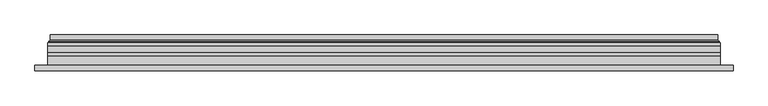
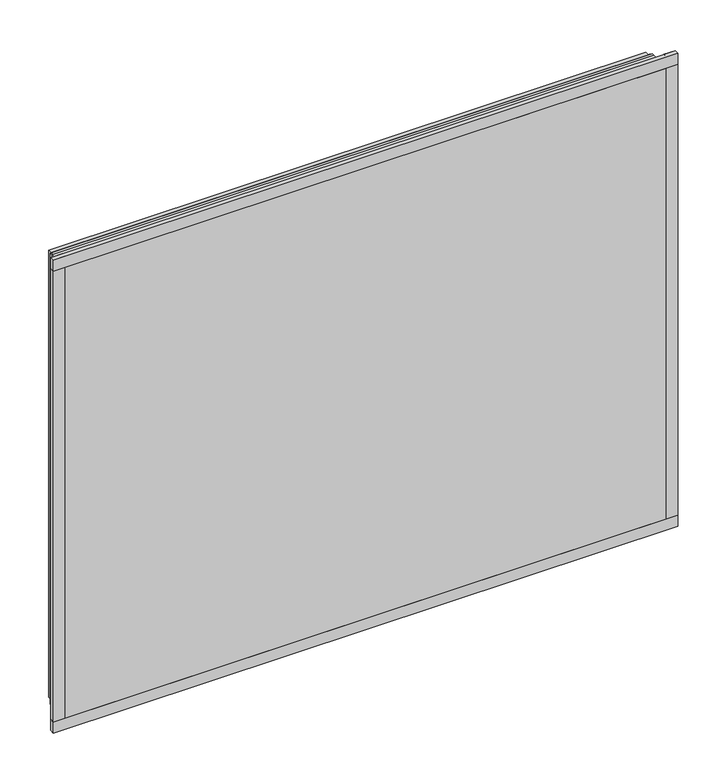
"""IFC4 building model written with IfcOpenShell, lengths in millimetres: plate geometry."""

from ifc_helpers import new_model, si_unit, frame, origin, place, context, project, spatial, polyline, ellipse_curve, outline, extrude, source, transform, mapped, element, save
from ifc_brep_helpers import plane_surface, cylinder_surface, revolved_surface, advanced_brep


def plate_3f4ecd0a(model_context):
    return source(origin(), model_context, "Body", "SolidModel", [
        extrude(outline(polyline([(33.5, -579.0), (33.5, 579.0), (941.5, 579.0), (941.5, -579.0), (33.5, -579.0)]), holes=[polyline([(38.5, 574.0), (38.5, -574.0), (936.5, -574.0), (936.5, 574.0), (38.5, 574.0)])]), frame((0.0, 0.0, 0.0), z_axis=(0.0, 1.0, 0.0), x_axis=(0.0, 0.0, 1.0)), (0.0, 0.0, 1.0), 12.0),
        extrude(outline(polyline([(11.5, -601.0), (11.5, 601.0), (963.5, 601.0), (963.5, -601.0), (11.5, -601.0)]), holes=[polyline([(33.5, 579.0), (33.5, -579.0), (941.5, -579.0), (941.5, 579.0), (33.5, 579.0)])]), frame((0.0, -26.0, 0.0), z_axis=(0.0, 1.0, 0.0), x_axis=(0.0, 0.0, 1.0)), (0.0, 0.0, 1.0), 20.0),
        extrude(outline(polyline([(11.5, -601.0), (11.5, 601.0), (963.5, 601.0), (963.5, -601.0), (11.5, -601.0)]), holes=[polyline([(33.5, 579.0), (33.5, -579.0), (941.5, -579.0), (941.5, 579.0), (33.5, 579.0)])]), frame((0.0, -26.0, 0.0), z_axis=(0.0, 1.0, 0.0), x_axis=(0.0, 0.0, 1.0)), (0.0, 0.0, 1.0), 20.0),
        extrude(outline(polyline([(601.0, -6.0), (-601.0, -6.0), (-601.0, 0.0), (601.0, 0.0), (601.0, -6.0)])), frame((0.0, 0.0, 11.5), z_axis=(0.0, 0.0, 1.0), x_axis=(1.0, 0.0, 0.0)), (0.0, 0.0, 1.0), 952.0),
        extrude(outline(polyline([(624.0, -32.0), (-624.0, -32.0), (-624.0, -22.51), (624.0, -22.51), (624.0, -32.0)])), frame((0.0, 0.0, -11.5), z_axis=(0.0, 0.0, 1.0), x_axis=(1.0, 0.0, 0.0)), (0.0, 0.0, 1.0), 23.0),
        extrude(outline(polyline([(624.0, -32.0), (-624.0, -32.0), (-624.0, -22.51), (624.0, -22.51), (624.0, -32.0)])), frame((0.0, 0.0, 963.5), z_axis=(0.0, 0.0, 1.0), x_axis=(1.0, 0.0, 0.0)), (0.0, 0.0, 1.0), 23.0),
        extrude(outline(polyline([(-624.0, -32.0), (-624.0, -22.51), (-601.0, -22.51), (-601.0, -32.0), (-624.0, -32.0)])), frame((0.0, 0.0, -11.5), z_axis=(0.0, 0.0, 1.0), x_axis=(1.0, 0.0, 0.0)), (0.0, 0.0, 1.0), 998.0),
        extrude(outline(polyline([(624.0, -32.0), (601.0, -32.0), (601.0, -22.51), (624.0, -22.51), (624.0, -32.0)])), frame((0.0, 0.0, -11.5), z_axis=(0.0, 0.0, 1.0), x_axis=(1.0, 0.0, 0.0)), (0.0, 0.0, 1.0), 998.0),
        extrude(outline(polyline([(11.5, -601.0), (11.5, 601.0), (963.5, 601.0), (963.5, -601.0), (11.5, -601.0)]), holes=[polyline([(33.5, 579.0), (33.5, -579.0), (941.5, -579.0), (941.5, 579.0), (33.5, 579.0)])]), frame((0.0, 0.0, 0.0), z_axis=(0.0, 1.0, 0.0), x_axis=(0.0, 0.0, 1.0)), (0.0, 0.0, 1.0), 12.0),
        extrude(outline(polyline([(33.5, -579.0), (33.5, 579.0), (941.5, 579.0), (941.5, -579.0), (33.5, -579.0)]), holes=[polyline([(38.5, 574.0), (38.5, -574.0), (936.5, -574.0), (936.5, 574.0), (38.5, 574.0)])]), frame((0.0, -26.0, 0.0), z_axis=(0.0, 1.0, 0.0), x_axis=(0.0, 0.0, 1.0)), (0.0, 0.0, 1.0), 20.0),
        extrude(outline(polyline([(601.0, 18.0), (601.0, 12.0), (-601.0, 12.0), (-601.0, 18.0), (601.0, 18.0)])), frame((0.0, 0.0, 11.5), z_axis=(0.0, 0.0, 1.0), x_axis=(1.0, 0.0, 0.0)), (0.0, 0.0, 1.0), 952.0),
        extrude(outline(polyline([(-601.0, -32.0), (-601.0, -26.0), (601.0, -26.0), (601.0, -32.0), (-601.0, -32.0)])), frame((0.0, 0.0, 11.5), z_axis=(0.0, 0.0, 1.0), x_axis=(1.0, 0.0, 0.0)), (0.0, 0.0, 1.0), 952.0),
        advanced_brep(
        [(587.5000103, 32.0, 24.9999897), (-587.5000103, 32.0, 24.9999897), (-587.5000103, 21.9110895, 24.9999897), (587.5000103, 21.9110895, 24.9999897), (596.4986526, 23.3044663, 16.0013474), (-596.4986526, 23.3044663, 16.0013474), (-596.4986526, 32.0, 16.0013474), (596.4986526, 32.0, 16.0013474), (598.1689727, 20.9442833, 14.3310273), (-598.1689727, 20.9442833, 14.3310273), (597.7544044, 18.0034569, 14.7455956), (-597.7544044, 18.0034569, 14.7455956), (586.5620948, 20.2163959, 25.9379052), (-586.5620948, 20.2163959, 25.9379052), (-587.1992268, 18.0000006, 25.3007732), (587.1992268, 18.0000006, 25.3007732), (-587.5000103, 32.0, 950.0000103), (-587.5000103, 21.9110895, 950.0000103), (-596.4986526, 23.3044663, 958.9986526), (-596.4986526, 32.0, 958.9986526), (-598.1689727, 20.9442833, 960.6689727), (-597.7544044, 18.0034569, 960.2544044), (-586.5620948, 20.2163959, 949.0620948), (-587.1992268, 18.0000006, 949.6992268), (587.5000103, 32.0, 950.0000103), (587.5000103, 21.9110895, 950.0000103), (596.4986526, 23.3044663, 958.9986526), (596.4986526, 32.0, 958.9986526), (598.1689727, 20.9442833, 960.6689727), (597.7544044, 18.0034569, 960.2544044), (586.5620948, 20.2163959, 949.0620948), (587.1992268, 18.0000006, 949.6992268)],
        [
            (0, 1),
            (1, 2),
            (2, 3),
            (3, 0),
            (4, 5),
            (5, 6),
            (6, 7),
            (7, 4),
            (8, 9),
            (9, 5, ellipse_curve(frame((-598.8086832, 23.1681522, 13.6913168), z_axis=(-0.7071067811865475, 0.0, 0.7071067811865475), x_axis=(-0.7071067811865476, 0.0, -0.7071067811865474)), 3.2725594, 2.314049)),
            (4, 8, ellipse_curve(frame((598.8086832, 23.1681522, 13.6913168), z_axis=(0.7071067811865475, 0.0, 0.7071067811865475), x_axis=(-0.7071067811865476, 0.0, 0.7071067811865474)), 3.2725594, 2.314049)),
            (10, 11),
            (11, 9, ellipse_curve(frame((-597.7544044, 19.5030909, 14.7455956), z_axis=(0.7071067811865475, 0.0, -0.7071067811865475), x_axis=(0.7071067811865476, 0.0, 0.7071067811865474)), 2.1208028, 1.4996341)),
            (8, 10, ellipse_curve(frame((597.7544044, 19.5030909, 14.7455956), z_axis=(-0.7071067811865475, 0.0, -0.7071067811865475), x_axis=(0.7071067811865476, 0.0, -0.7071067811865474)), 2.1208028, 1.4996341)),
            (12, 13),
            (13, 14, ellipse_curve(frame((-587.1992268, 19.1997743, 25.3007732), z_axis=(0.7071067811865475, 0.0, -0.7071067811865475), x_axis=(0.7071067811865476, 0.0, 0.7071067811865474)), 1.6967361, 1.1997736)),
            (14, 15),
            (15, 12, ellipse_curve(frame((587.1992268, 19.1997743, 25.3007732), z_axis=(-0.7071067811865475, 0.0, -0.7071067811865475), x_axis=(0.7071067811865476, 0.0, -0.7071067811865474)), 1.6967361, 1.1997736)),
            (2, 13, ellipse_curve(frame((-585.5000051, 21.9110895, 26.9999949), z_axis=(-0.7071067811865475, 0.0, 0.7071067811865475), x_axis=(-0.7071067811865476, 0.0, -0.7071067811865474)), 2.8284345, 2.0000052)),
            (12, 3, ellipse_curve(frame((585.5000051, 21.9110895, 26.9999949), z_axis=(0.7071067811865475, 0.0, 0.7071067811865475), x_axis=(-0.7071067811865476, 0.0, 0.7071067811865474)), 2.8284345, 2.0000052)),
            (1, 16),
            (16, 17),
            (17, 2),
            (5, 18),
            (18, 19),
            (19, 6),
            (9, 20),
            (20, 18, ellipse_curve(frame((-598.8086832, 23.1681522, 961.3086832), z_axis=(0.7071067811865475, 0.0, 0.7071067811865475), x_axis=(-0.7071067811865474, 0.0, 0.7071067811865476)), 3.2725594, 2.314049)),
            (11, 21),
            (21, 20, ellipse_curve(frame((-597.7544044, 19.5030909, 960.2544044), z_axis=(-0.7071067811865475, 0.0, -0.7071067811865475), x_axis=(0.7071067811865474, 0.0, -0.7071067811865476)), 2.1208028, 1.4996341)),
            (13, 22),
            (22, 23, ellipse_curve(frame((-587.1992268, 19.1997743, 949.6992268), z_axis=(-0.7071067811865475, 0.0, -0.7071067811865475), x_axis=(0.7071067811865474, 0.0, -0.7071067811865476)), 1.6967361, 1.1997736)),
            (23, 14),
            (17, 22, ellipse_curve(frame((-585.5000051, 21.9110895, 948.0000051), z_axis=(0.7071067811865475, 0.0, 0.7071067811865475), x_axis=(-0.7071067811865474, 0.0, 0.7071067811865476)), 2.8284345, 2.0000052)),
            (16, 24),
            (24, 25),
            (25, 17),
            (18, 26),
            (26, 27),
            (27, 19),
            (20, 28),
            (28, 26, ellipse_curve(frame((598.8086832, 23.1681522, 961.3086832), z_axis=(0.7071067811865475, 0.0, -0.7071067811865475), x_axis=(0.7071067811865476, 0.0, 0.7071067811865474)), 3.2725594, 2.314049)),
            (21, 29),
            (29, 28, ellipse_curve(frame((597.7544044, 19.5030909, 960.2544044), z_axis=(-0.7071067811865475, 0.0, 0.7071067811865475), x_axis=(-0.7071067811865476, 0.0, -0.7071067811865474)), 2.1208028, 1.4996341)),
            (22, 30),
            (30, 31, ellipse_curve(frame((587.1992268, 19.1997743, 949.6992268), z_axis=(-0.7071067811865475, 0.0, 0.7071067811865475), x_axis=(-0.7071067811865476, 0.0, -0.7071067811865474)), 1.6967361, 1.1997736)),
            (31, 23),
            (25, 30, ellipse_curve(frame((585.5000051, 21.9110895, 948.0000051), z_axis=(0.7071067811865475, 0.0, -0.7071067811865475), x_axis=(0.7071067811865476, 0.0, 0.7071067811865474)), 2.8284345, 2.0000052)),
            (24, 0),
            (3, 25),
            (26, 4),
            (7, 27),
            (28, 8),
            (29, 10),
            (31, 15),
            (30, 12),
        ],
        [
            plane_surface(frame((587.5000103, 21.9110895, 24.9999897), z_axis=(0.0, 0.0, 1.0), x_axis=(-1.0, 0.0, 0.0))),
            plane_surface(frame((596.4986526, 32.0, 16.0013474), z_axis=(0.0, 0.0, -1.0), x_axis=(-1.0, 0.0, 0.0))),
            revolved_surface(polyline([(-601.1227321435756, 25.482201200000002, 13.6913168), (601.1227321435758, 25.482201200000002, 13.6913168)]), (587.5, 23.1681522, 13.6913168), (-1.0, 0.0, 0.0)),
            cylinder_surface(frame((587.5, 19.5030909, 14.7455956), z_axis=(1.0, 0.0, 0.0), x_axis=(0.0, 1.0, 0.0)), 1.4996341),
            cylinder_surface(frame((587.5, 19.1997743, 25.3007732), z_axis=(1.0, 0.0, 0.0), x_axis=(0.0, 1.0, 0.0)), 1.1997736),
            revolved_surface(polyline([(-587.5000103150919, 23.9110947, 26.9999949), (587.5000103150919, 23.9110947, 26.9999949)]), (587.5, 21.9110895, 26.9999949), (-1.0, 0.0, 0.0)),
            plane_surface(frame((-587.5000103, 21.9110895, 24.9999897), z_axis=(1.0, 0.0, 0.0), x_axis=(0.0, 0.0, 1.0))),
            plane_surface(frame((-596.4986526, 32.0, 16.0013474), z_axis=(-1.0, 0.0, 0.0), x_axis=(0.0, 0.0, 1.0))),
            revolved_surface(polyline([(-598.8086832, 25.482201200000002, 963.6227321435758), (-598.8086832, 25.482201200000002, 11.37726785642422)]), (-598.8086832, 23.1681522, 25.0), (0.0, 0.0, 1.0)),
            cylinder_surface(frame((-597.7544044, 19.5030909, 25.0), z_axis=(0.0, 0.0, -1.0), x_axis=(0.0, 1.0, 0.0)), 1.4996341),
            cylinder_surface(frame((-587.1992268, 19.1997743, 25.0), z_axis=(0.0, 0.0, -1.0), x_axis=(0.0, 1.0, 0.0)), 1.1997736),
            revolved_surface(polyline([(-585.5000051, 23.9110947, 950.0000103150919), (-585.5000051, 23.9110947, 24.99998968490802)]), (-585.5000051, 21.9110895, 25.0), (0.0, 0.0, 1.0)),
            plane_surface(frame((-587.5000103, 21.9110895, 950.0000103), z_axis=(0.0, 0.0, -1.0), x_axis=(1.0, 0.0, 0.0))),
            plane_surface(frame((-596.4986526, 32.0, 958.9986526), z_axis=(0.0, 0.0, 1.0), x_axis=(1.0, 0.0, 0.0))),
            revolved_surface(polyline([(601.1227321435756, 25.482201200000002, 961.3086832), (-601.1227321435758, 25.482201200000002, 961.3086832)]), (-587.5, 23.1681522, 961.3086832), (1.0, 0.0, 0.0)),
            cylinder_surface(frame((-587.5, 19.5030909, 960.2544044), z_axis=(-1.0, 0.0, 0.0), x_axis=(0.0, 1.0, 0.0)), 1.4996341),
            cylinder_surface(frame((-587.5, 19.1997743, 949.6992268), z_axis=(-1.0, 0.0, 0.0), x_axis=(0.0, 1.0, 0.0)), 1.1997736),
            revolved_surface(polyline([(587.5000103150919, 23.9110947, 948.0000051), (-587.5000103150919, 23.9110947, 948.0000051)]), (-587.5, 21.9110895, 948.0000051), (1.0, 0.0, 0.0)),
            plane_surface(frame((587.5000103, 21.9110895, 950.0000103), z_axis=(-1.0, 0.0, 0.0), x_axis=(0.0, 0.0, -1.0))),
            plane_surface(frame((596.4986526, 32.0, 958.9986526), z_axis=(1.0, 0.0, 0.0), x_axis=(0.0, 0.0, -1.0))),
            revolved_surface(polyline([(598.8086832, 25.482201200000002, 11.377267856424169), (598.8086832, 25.482201200000002, 963.6227321435758)]), (598.8086832, 23.1681522, 950.0), (0.0, 0.0, -1.0)),
            cylinder_surface(frame((597.7544044, 19.5030909, 950.0), z_axis=(0.0, 0.0, 1.0), x_axis=(0.0, 1.0, 0.0)), 1.4996341),
            plane_surface(frame((597.7544044, 18.0000006, 960.2544044), z_axis=(0.0, -1.0, 0.0), x_axis=(0.0, 0.0, -1.0))),
            cylinder_surface(frame((587.1992268, 19.1997743, 950.0), z_axis=(0.0, 0.0, 1.0), x_axis=(0.0, 1.0, 0.0)), 1.1997736),
            revolved_surface(polyline([(585.5000051, 23.9110947, 24.999989684908087), (585.5000051, 23.9110947, 950.0000103150919)]), (585.5000051, 21.9110895, 950.0), (0.0, 0.0, -1.0)),
            plane_surface(frame((587.5000103, 32.0, 950.0000103), z_axis=(0.0, 1.0, 0.0), x_axis=(0.0, 0.0, -1.0))),
        ],
        [
            (0, [[1, 2, 3, 4]]),
            (1, [[5, 6, 7, 8]]),
            (2, [[9, 10, -5, 11]]),
            (3, [[12, 13, -9, 14]]),
            (4, [[15, 16, 17, 18]]),
            (5, [[-3, 19, -15, 20]]),
            (6, [[21, 22, 23, -2]]),
            (7, [[24, 25, 26, -6]]),
            (8, [[27, 28, -24, -10]]),
            (9, [[29, 30, -27, -13]]),
            (10, [[31, 32, 33, -16]]),
            (11, [[-23, 34, -31, -19]]),
            (12, [[35, 36, 37, -22]]),
            (13, [[38, 39, 40, -25]]),
            (14, [[41, 42, -38, -28]]),
            (15, [[43, 44, -41, -30]]),
            (16, [[45, 46, 47, -32]]),
            (17, [[-37, 48, -45, -34]]),
            (18, [[49, -4, 50, -36]]),
            (19, [[51, -8, 52, -39]]),
            (20, [[53, -11, -51, -42]]),
            (21, [[54, -14, -53, -44]]),
            (22, [[-12, -54, -43, -29], [-17, -33, -47, 55]]),
            (23, [[56, -18, -55, -46]]),
            (24, [[-50, -20, -56, -48]]),
            (25, [[-7, -26, -40, -52], [-1, -49, -35, -21]]),
        ],
    ),
    ])


if __name__ == "__main__":
    model = new_model("IFC4")
    model_context = context("Model", 3, world=origin())
    ifc_project = project(units=[si_unit("LENGTHUNIT", "METRE", prefix="MILLI")], contexts=[model_context])
    site = spatial("IfcSite", under=ifc_project)
    building = spatial("IfcBuilding", under=site)
    placement = place(None, origin())
    plate_shape = plate_3f4ecd0a(model_context)
    element("IfcPlate", 1, at=placement, inside=building, context=model_context, shape_type="MappedRepresentation", body=[
        mapped(plate_shape, transform((0.0, 0.0, 0.0), x_axis=(1.0, 0.0, 0.0), y_axis=(0.0, 1.0, 0.0), z_axis=(0.0, 0.0, 1.0))),
    ])
    save(model, "model.ifc")
